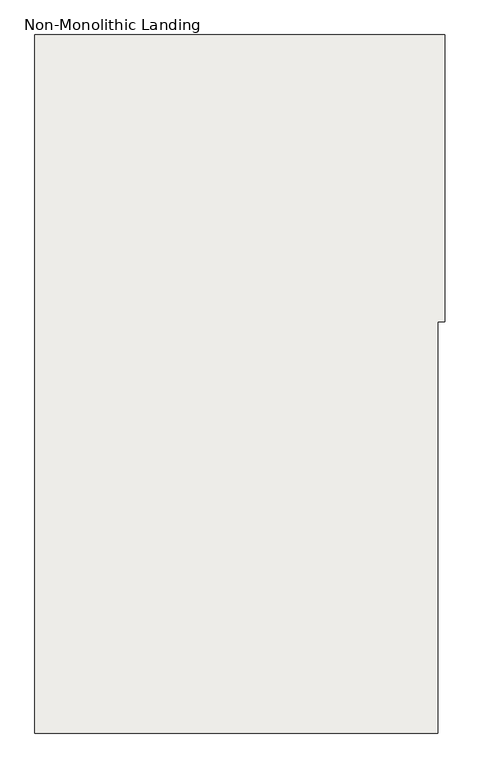
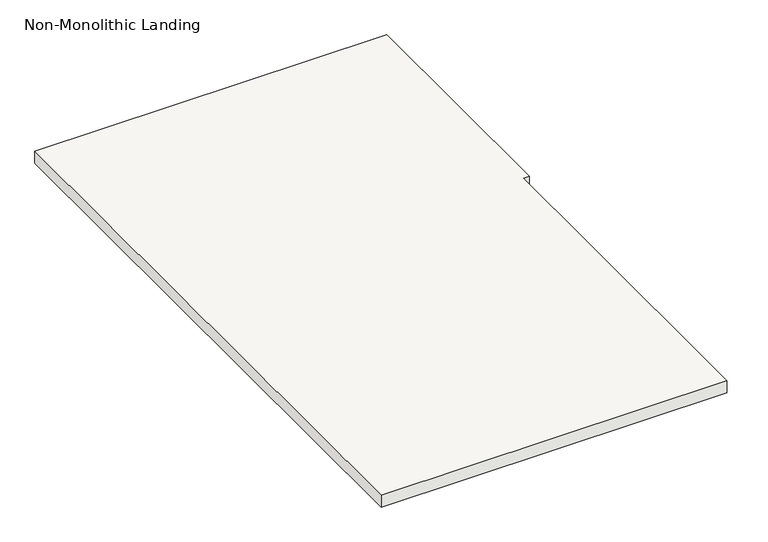
"""IFC4 building model written with IfcOpenShell, lengths in millimetres: slab geometry, Non-Monolithic Landing."""

from ifc_helpers import new_model, si_unit, frame, origin, place, context, project, spatial, polyline, outline, extrude, source, transform, mapped, element, save


def non_monolithic_landing_e3858418(model_context):
    return source(origin(), model_context, "Body", "SweptSolid", [
        extrude(outline(polyline([(2762.0029953, 474.8225734), (1336.491785, 474.8225734), (1336.491785, 2946.3857033), (2762.0029953, 2946.3857033), (2787.4029953, 2946.3857033), (2787.4029953, 1930.3857033), (2762.0029953, 1930.3857033), (2762.0029953, 1490.8225734), (2762.0029953, 474.8225734)])), frame((0.0, 0.0, 1597.025), z_axis=(0.0, 0.0, 1.0), x_axis=(1.0, 0.0, 0.0)), (0.0, 0.0, 1.0), 50.8),
    ])


if __name__ == "__main__":
    model = new_model("IFC4")
    model_context = context("Model", 3, world=origin())
    ifc_project = project(units=[si_unit("LENGTHUNIT", "METRE", prefix="MILLI")], contexts=[model_context])
    site = spatial("IfcSite", under=ifc_project)
    building = spatial("IfcBuilding", under=site)
    placement = place(None, origin())
    non_monolithic_landing_shape = non_monolithic_landing_e3858418(model_context)
    element("IfcSlab", 1, ObjectType="Non-Monolithic Landing", at=placement, inside=building, context=model_context, shape_type="MappedRepresentation", body=[
        mapped(non_monolithic_landing_shape, transform((0.0, 0.0, 0.0), x_axis=(1.0, 0.0, 0.0), y_axis=(0.0, 1.0, 0.0), z_axis=(0.0, 0.0, 1.0))),
    ])
    save(model, "model.ifc")
